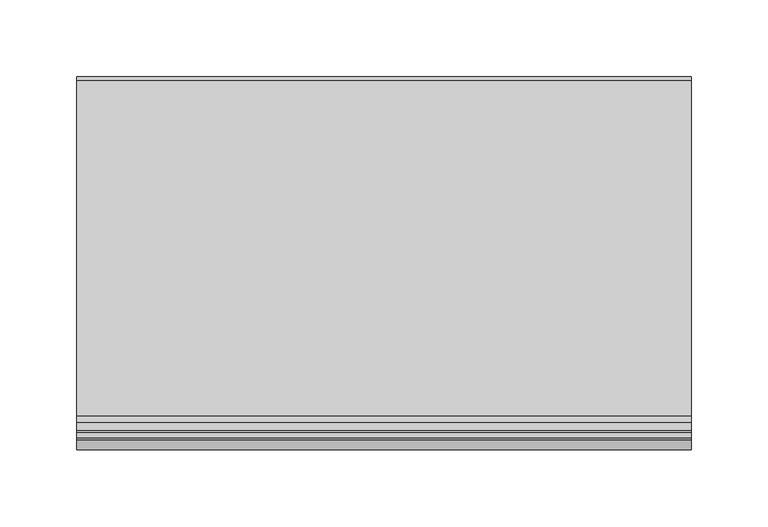
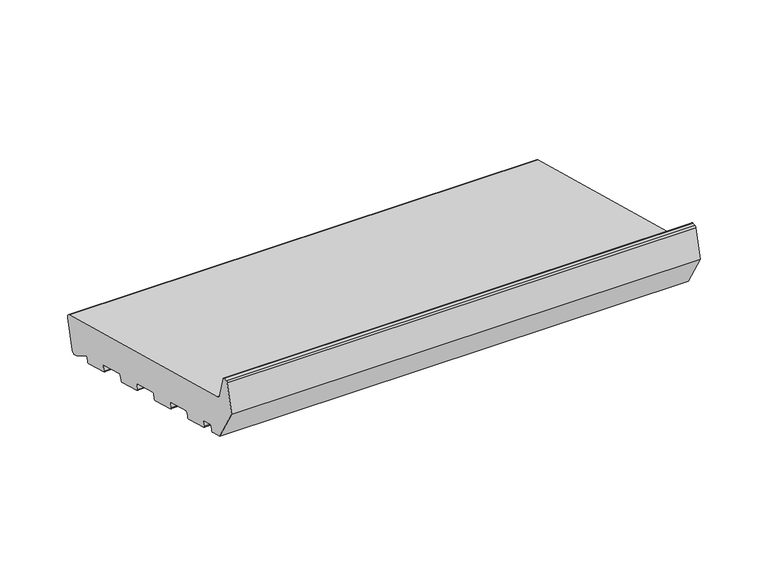
"""IFC4 building model written with IfcOpenShell, lengths in millimetres: proxy geometry."""

from ifc_helpers import new_model, si_unit, point, frame, frame_2d, origin, place, context, project, spatial, polyline, circle_curve, trimmed, segment, composite_curve, outline, extrude, source, transform, mapped, element, save


def generic_models_af214a40(model_context):
    return source(origin(), model_context, "Body", "SweptSolid", [
        extrude(outline(composite_curve([segment(polyline([(24.372022, 5.5048126), (21.6552444, 6.2327709), (7.4870147, 14.8202172)]), True, "CONTINUOUS"), segment(trimmed(circle_curve(frame_2d((6.9686847, 13.9650365)), 1.0), [point((7.4870147, 14.8202172))], [point((6.0027589, 14.2238555))], True, "CARTESIAN"), True, "CONTINUOUS"), segment(polyline([(6.0027589, 14.2238555), (5.0535055, 10.6811935)]), True, "CONTINUOUS"), segment(trimmed(circle_curve(frame_2d((4.0875797, 10.9400125)), 1.0), [point((5.0535055, 10.6811935))], [point((3.8287606, 9.9740867))], False, "CARTESIAN"), True, "CONTINUOUS"), segment(polyline([(3.8287606, 9.9740867), (-18.3875334, 15.9269247)]), True, "CONTINUOUS"), segment(trimmed(circle_curve(frame_2d((-18.1287143, 16.8928505)), 1.0), [point((-18.3875334, 15.9269247))], [point((-19.0946402, 17.1516696))], False, "CARTESIAN"), True, "CONTINUOUS"), segment(polyline([(-19.0946402, 17.1516696), (-18.059364, 21.0153729)]), True, "CONTINUOUS"), segment(trimmed(circle_curve(frame_2d((-19.0252898, 21.2741919)), 1.0), [point((-18.059364, 21.0153729))], [point((-18.7664708, 22.2401178))], True, "CARTESIAN"), True, "CONTINUOUS"), segment(polyline([(-18.7664708, 22.2401178), (-41.9486906, 28.4517749)]), True, "CONTINUOUS"), segment(trimmed(circle_curve(frame_2d((-42.2075096, 27.485849)), 1.0), [point((-41.9486906, 28.4517749))], [point((-43.1734355, 27.7446681))], True, "CARTESIAN"), True, "CONTINUOUS"), segment(polyline([(-43.1734355, 27.7446681), (-44.2087117, 23.8809648)]), True, "CONTINUOUS"), segment(trimmed(circle_curve(frame_2d((-45.1746375, 24.1397838)), 1.0), [point((-44.2087117, 23.8809648))], [point((-45.4334565, 23.173858))], False, "CARTESIAN"), True, "CONTINUOUS"), segment(polyline([(-45.4334565, 23.173858), (-67.6497505, 29.126696)]), True, "CONTINUOUS"), segment(trimmed(circle_curve(frame_2d((-67.3909315, 30.0926218)), 1.0), [point((-67.6497505, 29.126696))], [point((-68.3568573, 30.3514409))], False, "CARTESIAN"), True, "CONTINUOUS"), segment(polyline([(-68.3568573, 30.3514409), (-67.3215811, 34.2151442)]), True, "CONTINUOUS"), segment(trimmed(circle_curve(frame_2d((-68.287507, 34.4739632)), 1.0), [point((-67.3215811, 34.2151442))], [point((-68.0286879, 35.4398891))], True, "CARTESIAN"), True, "CONTINUOUS"), segment(polyline([(-68.0286879, 35.4398891), (-91.2109077, 41.6515462)]), True, "CONTINUOUS"), segment(trimmed(circle_curve(frame_2d((-91.4697268, 40.6856203)), 1.0), [point((-91.2109077, 41.6515462))], [point((-92.4356526, 40.9444394))], True, "CARTESIAN"), True, "CONTINUOUS"), segment(polyline([(-92.4356526, 40.9444394), (-93.4709288, 37.0807361)]), True, "CONTINUOUS"), segment(trimmed(circle_curve(frame_2d((-94.4368546, 37.3395551)), 1.0), [point((-93.4709288, 37.0807361))], [point((-94.6956737, 36.3736293))], False, "CARTESIAN"), True, "CONTINUOUS"), segment(polyline([(-94.6956737, 36.3736293), (-116.9119677, 42.3264673)]), True, "CONTINUOUS"), segment(trimmed(circle_curve(frame_2d((-116.6531486, 43.2923931)), 1.0), [point((-116.9119677, 42.3264673))], [point((-117.6190745, 43.5512122))], False, "CARTESIAN"), True, "CONTINUOUS"), segment(polyline([(-117.6190745, 43.5512122), (-116.5837983, 47.4149155)]), True, "CONTINUOUS"), segment(trimmed(circle_curve(frame_2d((-117.5497241, 47.6737345)), 1.0), [point((-116.5837983, 47.4149155))], [point((-117.2909051, 48.6396604))], True, "CARTESIAN"), True, "CONTINUOUS"), segment(polyline([(-117.2909051, 48.6396604), (-140.4731249, 54.8513175)]), True, "CONTINUOUS"), segment(trimmed(circle_curve(frame_2d((-140.7319439, 53.8853916)), 1.0), [point((-140.4731249, 54.8513175))], [point((-141.6978698, 54.1442107))], True, "CARTESIAN"), True, "CONTINUOUS"), segment(polyline([(-141.6978698, 54.1442107), (-142.7331459, 50.2805074)]), True, "CONTINUOUS"), segment(trimmed(circle_curve(frame_2d((-143.6990718, 50.5393264)), 1.0), [point((-142.7331459, 50.2805074))], [point((-143.9578908, 49.5734006))], False, "CARTESIAN"), True, "CONTINUOUS"), segment(polyline([(-143.9578908, 49.5734006), (-166.1741848, 55.5262386)]), True, "CONTINUOUS"), segment(trimmed(circle_curve(frame_2d((-165.9153658, 56.4921644)), 1.0), [point((-166.1741848, 55.5262386))], [point((-166.8812916, 56.7509835))], False, "CARTESIAN"), True, "CONTINUOUS"), segment(polyline([(-166.8812916, 56.7509835), (-165.8460154, 60.6146868)]), True, "CONTINUOUS"), segment(trimmed(circle_curve(frame_2d((-166.8119412, 60.8735058)), 1.0), [point((-165.8460154, 60.6146868))], [point((-166.5531222, 61.8394317))], True, "CARTESIAN"), True, "CONTINUOUS"), segment(polyline([(-166.5531222, 61.8394317), (-176.2123805, 64.4276221)]), True, "CONTINUOUS"), segment(trimmed(circle_curve(frame_2d((-176.4711995, 63.4616963)), 1.0), [point((-176.2123805, 64.4276221))], [point((-177.4371253, 63.7205153))], True, "CARTESIAN"), True, "CONTINUOUS"), segment(polyline([(-177.4371253, 63.7205153), (-178.4724015, 59.856812)]), True, "CONTINUOUS"), segment(trimmed(circle_curve(frame_2d((-179.4383273, 60.1156311)), 1.0), [point((-178.4724015, 59.856812))], [point((-179.6971464, 59.1497053))], False, "CARTESIAN"), True, "CONTINUOUS"), segment(polyline([(-179.6971464, 59.1497053), (-190.3223305, 61.9967148), (-208.0, 92.6153365), (-201.4291321, 117.1381494)]), True, "CONTINUOUS"), segment(trimmed(circle_curve(frame_2d((-199.9802434, 116.7499208)), 1.5), [point((-201.4291321, 117.1381494))], [point((-199.9802434, 118.2499208))], False, "CARTESIAN"), True, "CONTINUOUS"), segment(polyline([(-199.9802434, 118.2499208), (-196.6368689, 118.2499208)]), True, "CONTINUOUS"), segment(trimmed(circle_curve(frame_2d((-196.6368689, 116.7499208)), 1.5), [point((-196.6368689, 118.2499208))], [point((-195.1879801, 117.1381494))], False, "CARTESIAN"), True, "CONTINUOUS"), segment(polyline([(-195.1879801, 117.1381494), (-190.4052841, 99.2888846)]), True, "CONTINUOUS"), segment(trimmed(circle_curve(frame_2d((-184.6097291, 100.8417989)), 6.0), [point((-190.4052841, 99.2888846))], [point((-186.1626434, 95.0462439))], True, "CARTESIAN"), True, "CONTINUOUS"), segment(polyline([(-186.1626434, 95.0462439), (32.6542315, 36.414439)]), True, "CONTINUOUS"), segment(trimmed(circle_curve(frame_2d((31.8777743, 33.5166615)), 3.0), [point((32.6542315, 36.414439))], [point((34.7755518, 32.7402044))], False, "CARTESIAN"), True, "CONTINUOUS"), segment(polyline([(34.7755518, 32.7402044), (28.0462566, 7.6261329)]), True, "CONTINUOUS"), segment(trimmed(circle_curve(frame_2d((25.1484791, 8.40259)), 3.0), [point((28.0462566, 7.6261329))], [point((24.372022, 5.5048126))], False, "CARTESIAN"), True, "CONTINUOUS")], self_intersect=False)), frame((0.0, 0.0, 0.0), z_axis=(1.0, 0.0, 0.0), x_axis=(0.0, 1.0, 0.0)), (0.0, 0.0, 1.0), 400.0),
    ])


if __name__ == "__main__":
    model = new_model("IFC4")
    model_context = context("Model", 3, world=origin())
    ifc_project = project(units=[si_unit("LENGTHUNIT", "METRE", prefix="MILLI")], contexts=[model_context])
    site = spatial("IfcSite", under=ifc_project)
    building = spatial("IfcBuilding", under=site)
    placement = place(None, origin())
    generic_models_shape = generic_models_af214a40(model_context)
    element("IfcBuildingElementProxy", 1, Name="Generic Models", at=placement, inside=building, context=model_context, shape_type="MappedRepresentation", body=[
        mapped(generic_models_shape, transform((0.0, 0.0, 0.0), x_axis=(1.0, 0.0, 0.0), y_axis=(0.0, 1.0, 0.0), z_axis=(0.0, 0.0, 1.0))),
    ])
    save(model, "model.ifc")
